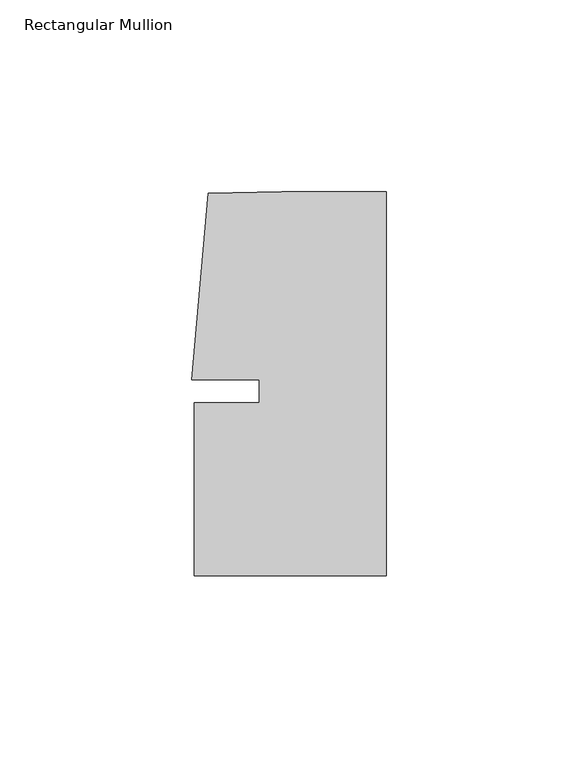
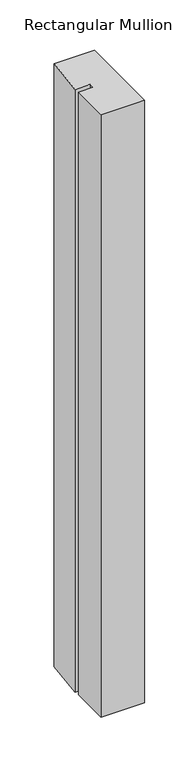
"""IFC4 building model written with IfcOpenShell, lengths in millimetres: member geometry, Rectangular Mullion."""

from ifc_helpers import new_model, si_unit, frame, origin, place, context, project, spatial, polyline, outline, extrude, source, transform, mapped, element, save


def rectangular_mullion_35a499d3(model_context):
    return source(origin(), model_context, "Body", "SweptSolid", [
        extrude(outline(polyline([(-33.0004671, -3.0000287), (-33.0004665, 2.9999885), (-50.6129097, 2.9999903), (-46.3623019, 51.5846059), (-27.2554335, 51.9999707), (0.0, 51.999968), (-9.8e-06, -48.0000271), (-50.0000098, -48.0000271), (-50.0000054, -3.0000271), (-33.0004671, -3.0000287)])), frame((0.0, 0.0, -729.9999879), z_axis=(0.0, 0.0, 1.0), x_axis=(1.0, 0.0, 0.0)), (0.0, 0.0, 1.0), 729.9999879),
    ])


if __name__ == "__main__":
    model = new_model("IFC4")
    model_context = context("Model", 3, world=origin())
    ifc_project = project(units=[si_unit("LENGTHUNIT", "METRE", prefix="MILLI")], contexts=[model_context])
    site = spatial("IfcSite", under=ifc_project)
    building = spatial("IfcBuilding", under=site)
    placement = place(None, origin())
    rectangular_mullion_shape = rectangular_mullion_35a499d3(model_context)
    element("IfcMember", 1, ObjectType="Rectangular Mullion", at=placement, inside=building, context=model_context, shape_type="MappedRepresentation", body=[
        mapped(rectangular_mullion_shape, transform((0.0, 0.0, 0.0), x_axis=(1.0, 0.0, 0.0), y_axis=(0.0, 1.0, 0.0), z_axis=(0.0, 0.0, 1.0))),
    ])
    save(model, "model.ifc")
